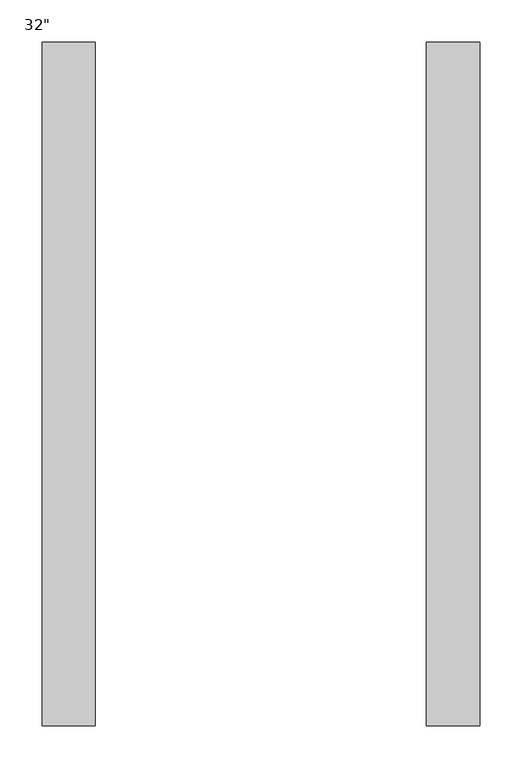
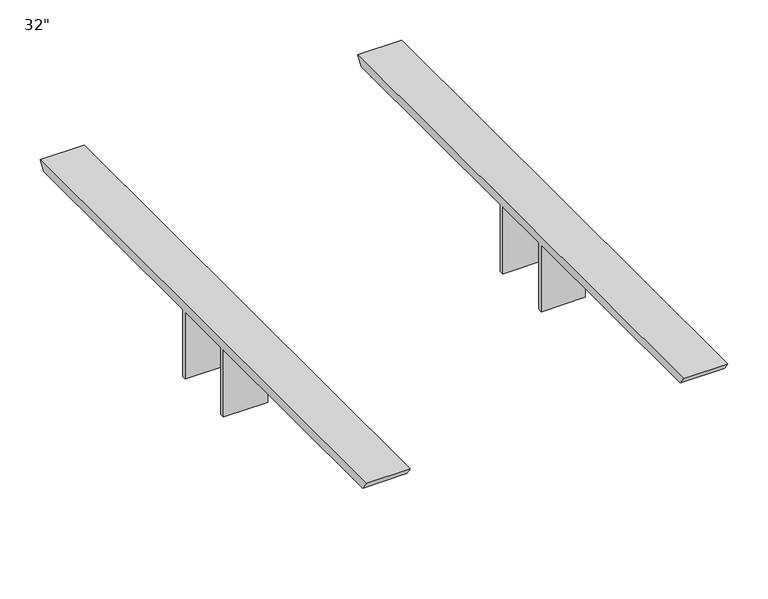
"""IFC4 building model written with IfcOpenShell, lengths in millimetres: furniture geometry."""

from ifc_helpers import new_model, si_unit, frame, origin, place, context, project, spatial, polyline, outline, extrude, source, transform, mapped, element, save


def furniture_3261750b(model_context):
    return source(origin(), model_context, "Body", "SweptSolid", [
        extrude(outline(polyline([(-812.8, 914.4), (0.0, 914.4), (-8.8926357, 901.7), (-355.6, 901.7), (-355.6, 800.1), (-361.95, 800.1), (-361.95, 901.7), (-450.85, 901.7), (-450.85, 800.1), (-457.2, 800.1), (-457.2, 901.7), (-803.9073643, 901.7), (-812.8, 914.4)])), frame((457.2, 0.0, 0.0), z_axis=(1.0, 0.0, 0.0), x_axis=(0.0, 1.0, 0.0)), (0.0, 0.0, 1.0), 63.500002),
        extrude(outline(polyline([(-812.8, 914.4), (0.0, 914.4), (-8.8926357, 901.7), (-355.6, 901.7), (-355.6, 800.1), (-361.95, 800.1), (-361.95, 901.7), (-450.85, 901.7), (-450.85, 800.1), (-457.2, 800.1), (-457.2, 901.7), (-803.9073643, 901.7), (-812.8, 914.4)])), frame((0.0, 0.0, 0.0), z_axis=(1.0, 0.0, 0.0), x_axis=(0.0, 1.0, 0.0)), (0.0, 0.0, 1.0), 63.500002),
    ])


if __name__ == "__main__":
    model = new_model("IFC4")
    model_context = context("Model", 3, world=origin())
    ifc_project = project(units=[si_unit("LENGTHUNIT", "METRE", prefix="MILLI")], contexts=[model_context])
    site = spatial("IfcSite", under=ifc_project)
    building = spatial("IfcBuilding", under=site)
    placement = place(None, origin())
    furniture_shape = furniture_3261750b(model_context)
    element("IfcFurniture", 1, ObjectType="32\"", at=placement, inside=building, context=model_context, shape_type="MappedRepresentation", body=[
        mapped(furniture_shape, transform((0.0, 0.0, 0.0), x_axis=(1.0, 0.0, 0.0), y_axis=(0.0, 1.0, 0.0), z_axis=(0.0, 0.0, 1.0))),
    ])
    save(model, "model.ifc")
